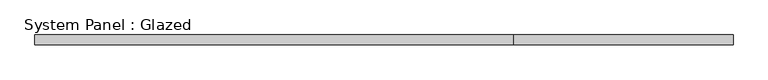
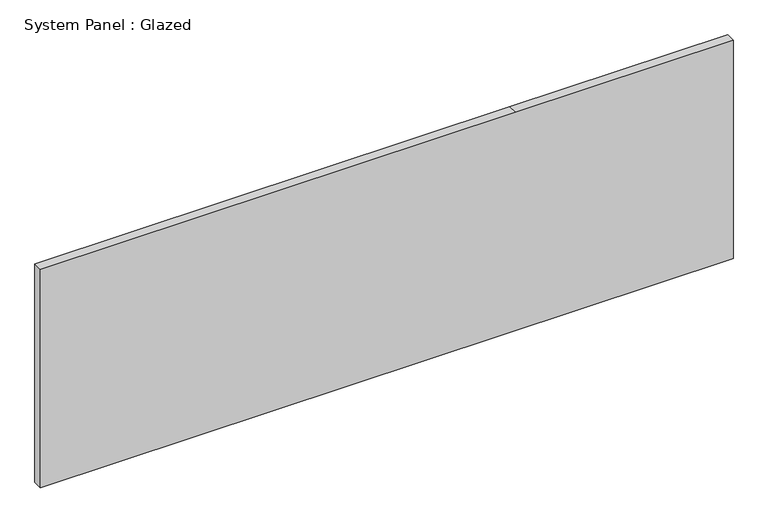
"""IFC4 building model written with IfcOpenShell, lengths in millimetres: plate geometry, System Panel : Glazed."""

from ifc_helpers import new_model, si_unit, frame, origin, place, context, project, spatial, polyline, outline, extrude, source, transform, mapped, element, save


def system_panel_glazed_35f9d652(model_context):
    return source(origin(), model_context, "Body", "SweptSolid", [
        extrude(outline(polyline([(0.0, -914.4), (0.0, 914.4), (609.6, 914.4), (609.6, 339.8804384), (609.6, -914.4), (0.0, -914.4)])), frame((0.0, 19.05, 0.0), z_axis=(0.0, 1.0, 0.0), x_axis=(0.0, 0.0, 1.0)), (0.0, 0.0, 1.0), 25.4),
    ])


if __name__ == "__main__":
    model = new_model("IFC4")
    model_context = context("Model", 3, world=origin())
    ifc_project = project(units=[si_unit("LENGTHUNIT", "METRE", prefix="MILLI")], contexts=[model_context])
    site = spatial("IfcSite", under=ifc_project)
    building = spatial("IfcBuilding", under=site)
    placement = place(None, origin())
    system_panel_glazed_shape = system_panel_glazed_35f9d652(model_context)
    element("IfcPlate", 1, ObjectType="System Panel : Glazed", at=placement, inside=building, context=model_context, shape_type="MappedRepresentation", body=[
        mapped(system_panel_glazed_shape, transform((0.0, 0.0, 0.0), x_axis=(1.0, 0.0, 0.0), y_axis=(0.0, 1.0, 0.0), z_axis=(0.0, 0.0, 1.0))),
    ])
    save(model, "model.ifc")
